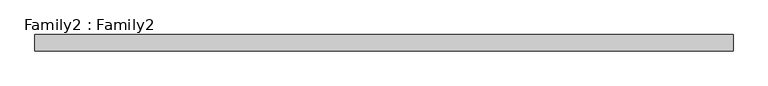
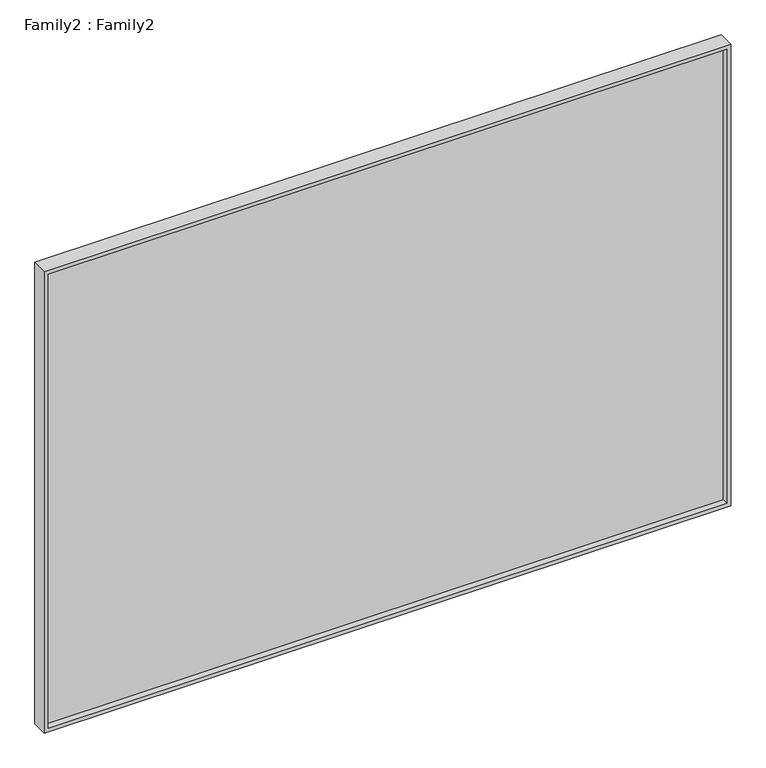
"""IFC4 building model written with IfcOpenShell, lengths in millimetres: plate geometry, Family2 : Family2."""

from ifc_helpers import new_model, si_unit, frame, origin, place, context, project, spatial, polyline, outline, extrude, source, transform, mapped, element, save


def family2_family2_e170f516(model_context):
    return source(origin(), model_context, "Body", "SweptSolid", [
        extrude(outline(polyline([(2450.0, -1725.0), (0.0, -1725.0), (0.0, 1725.0), (2450.0, 1725.0), (2450.0, -1725.0)]), holes=[polyline([(20.0, -1705.0), (2430.0, -1705.0), (2430.0, 1705.0), (20.0, 1705.0), (20.0, -1705.0)])]), frame((0.0, -40.0, 0.0), z_axis=(0.0, 1.0, 0.0), x_axis=(0.0, 0.0, 1.0)), (0.0, 0.0, 1.0), 80.0),
        extrude(outline(polyline([(1705.0, -10.0), (-1705.0, -10.0), (-1705.0, 10.0), (1705.0, 10.0), (1705.0, -10.0)])), frame((0.0, 0.0, 20.0), z_axis=(0.0, 0.0, 1.0), x_axis=(1.0, 0.0, 0.0)), (0.0, 0.0, 1.0), 2410.0),
    ])


if __name__ == "__main__":
    model = new_model("IFC4")
    model_context = context("Model", 3, world=origin())
    ifc_project = project(units=[si_unit("LENGTHUNIT", "METRE", prefix="MILLI")], contexts=[model_context])
    site = spatial("IfcSite", under=ifc_project)
    building = spatial("IfcBuilding", under=site)
    placement = place(None, origin())
    family2_family2_shape = family2_family2_e170f516(model_context)
    element("IfcPlate", 1, ObjectType="Family2 : Family2", at=placement, inside=building, context=model_context, shape_type="MappedRepresentation", body=[
        mapped(family2_family2_shape, transform((0.0, 0.0, 0.0), x_axis=(1.0, 0.0, 0.0), y_axis=(0.0, 1.0, 0.0), z_axis=(0.0, 0.0, 1.0))),
    ])
    save(model, "model.ifc")
